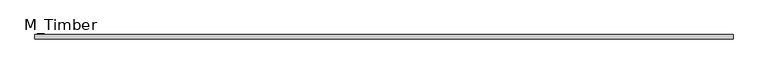
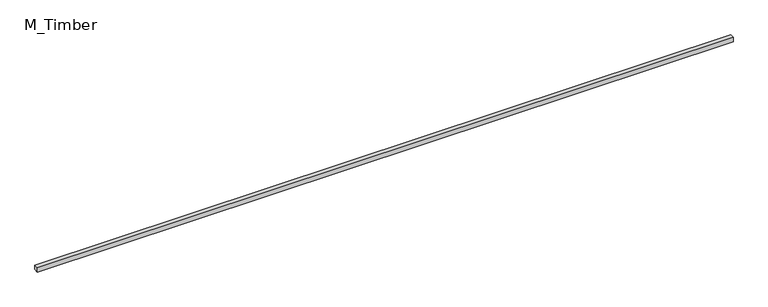
"""IFC4 building model written with IfcOpenShell, lengths in millimetres: beam geometry, M_Timber."""

from ifc_helpers import new_model, si_unit, frame, origin, place, context, project, spatial, polyline, outline, extrude, source, transform, mapped, element, save


def m_timber_fc23893a(model_context):
    return source(origin(), model_context, "Body", "SweptSolid", [
        extrude(outline(polyline([(3123.6110691, 20.0), (3123.6110691, -20.0), (-3123.6110691, -20.0), (-3123.6110691, 20.0), (3123.6110691, 20.0)])), frame((0.0, 0.0, -20.0), z_axis=(0.0, 0.0, 1.0), x_axis=(1.0, 0.0, 0.0)), (0.0, 0.0, 1.0), 40.0),
    ])


if __name__ == "__main__":
    model = new_model("IFC4")
    model_context = context("Model", 3, world=origin())
    ifc_project = project(units=[si_unit("LENGTHUNIT", "METRE", prefix="MILLI")], contexts=[model_context])
    site = spatial("IfcSite", under=ifc_project)
    building = spatial("IfcBuilding", under=site)
    placement = place(None, origin())
    m_timber_shape = m_timber_fc23893a(model_context)
    element("IfcBeam", 1, ObjectType="M_Timber", at=placement, inside=building, context=model_context, shape_type="MappedRepresentation", body=[
        mapped(m_timber_shape, transform((0.0, 0.0, 0.0), x_axis=(1.0, 0.0, 0.0), y_axis=(0.0, 1.0, 0.0), z_axis=(0.0, 0.0, 1.0))),
    ])
    save(model, "model.ifc")
